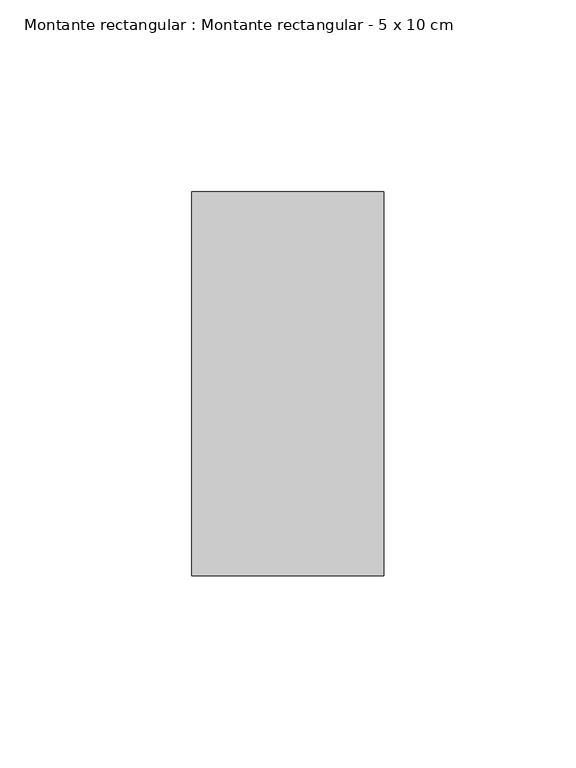
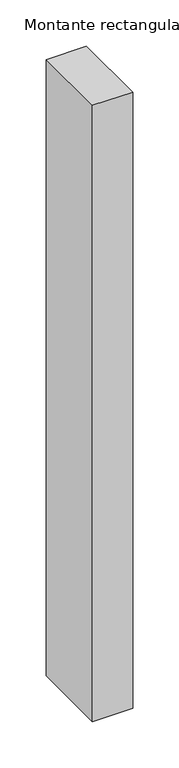
"""IFC4 building model written with IfcOpenShell, lengths in millimetres: member geometry, Montante rectangular : Montante rectangular - 5 x 10 cm."""

import ifcopenshell
import ifcopenshell.guid

model = None  # the IFC model being written
_history = None  # IfcOwnerHistory: only IFC2X3 demands one
_inside = {}  # id of a spatial element -> (the spatial element, [elements in it])
_under = {}  # id of a project, library or spatial element -> (it, [spatial elements below it])
_declared = {}  # id of a project -> (the project, [libraries it declares])
_typed = {}  # id of a type object -> (the type object, [elements of that type])
_made_of = {}  # id of a material, layer set ... -> (it, [elements and type objects made of it])


def new_model(schema):
    """Start an empty IFC model of exactly this schema.

    Asked for "IFC4X3", IfcOpenShell would pick the latest addendum, in which some entities
    have other attributes; the version numbers below select the first issue.
    IFC2X3 requires an IfcOwnerHistory on every rooted entity: one is made here for all.
    """
    global model, _history
    if schema == "IFC4X3":
        model = ifcopenshell.file(schema_version=(4, 3, 0, 0))
    else:
        model = ifcopenshell.file(schema=schema)
    _inside.clear()
    _under.clear()
    _declared.clear()
    _typed.clear()
    _made_of.clear()
    _history = None
    if model.schema == "IFC2X3":
        org = make("IfcOrganization", Name="unknown")
        user = make(
            "IfcPersonAndOrganization",
            ThePerson=make("IfcPerson", FamilyName="unknown"),
            TheOrganization=org,
        )
        app = make(
            "IfcApplication",
            ApplicationDeveloper=org,
            Version="unknown",
            ApplicationFullName="unknown",
            ApplicationIdentifier="unknown",
        )
        _history = make(
            "IfcOwnerHistory",
            OwningUser=user,
            OwningApplication=app,
            ChangeAction="ADDED",
            CreationDate=0,
        )
    return model


def make(cls, **values):
    """One entity of the class cls with the attributes given. An attribute that is None is left unset."""
    return model.create_entity(
        cls, **{name: value for name, value in values.items() if value is not None}
    )


def rooted(cls, **values):
    """An entity with a GlobalId (a new one), such as an element, a storey or a relation."""
    return make(cls, GlobalId=ifcopenshell.guid.new(), OwnerHistory=_history, **values)


def si_unit(unit_type, name, prefix=None):
    """IfcSIUnit, for example si_unit("LENGTHUNIT", "METRE", prefix="MILLI")."""
    return make("IfcSIUnit", UnitType=unit_type, Prefix=prefix, Name=name)


def assignment(units):
    """IfcUnitAssignment: the units of a project."""
    return None if units is None else make("IfcUnitAssignment", Units=units)


def point(xyz):
    """IfcCartesianPoint."""
    return None if xyz is None else make("IfcCartesianPoint", Coordinates=xyz)


def direction(xyz):
    """IfcDirection."""
    return None if xyz is None else make("IfcDirection", DirectionRatios=xyz)


def frame(location, z_axis=None, x_axis=None):
    """IfcAxis2Placement3D, a coordinate frame: its origin and axes. An axis left out is left unset."""
    return make(
        "IfcAxis2Placement3D",
        Location=point(location),
        Axis=direction(z_axis),
        RefDirection=direction(x_axis),
    )


def origin():
    """The frame at (0, 0, 0) with its axes left unset."""
    return frame((0.0, 0.0, 0.0))


def place(relative_to, where):
    """IfcLocalPlacement: puts the frame where relative to a parent placement (None: the world)."""
    return make(
        "IfcLocalPlacement", PlacementRelTo=relative_to, RelativePlacement=where
    )


def context(
    kind, dimensions, precision=None, world=None, true_north=None, identifier=None
):
    """IfcGeometricRepresentationContext, for example the 3D "Model" context."""
    return make(
        "IfcGeometricRepresentationContext",
        ContextIdentifier=identifier,
        ContextType=kind,
        CoordinateSpaceDimension=dimensions,
        Precision=precision,
        WorldCoordinateSystem=world,
        TrueNorth=true_north,
    )


def project(units=None, contexts=None):
    """IfcProject with its units and contexts."""
    return rooted(
        "IfcProject",
        Name="project",
        RepresentationContexts=contexts,
        UnitsInContext=assignment(units),
    )


def spatial(cls, under=None, at=None, **own):
    """A site, building, storey or space (cls), placed at a placement, below another one or the project."""
    s = rooted(cls, ObjectPlacement=at, **own)
    if under is not None:
        _under.setdefault(under.id(), (under, []))[1].append(s)
    return s


def polyline(points):
    """IfcPolyline through the points."""
    return make("IfcPolyline", Points=[point(p) for p in points])


def outline(outer, holes=None, kind="AREA"):
    """IfcArbitraryClosedProfileDef: a profile drawn as a closed curve; with holes, ...WithVoids."""
    if holes is None:
        return make("IfcArbitraryClosedProfileDef", ProfileType=kind, OuterCurve=outer)
    return make(
        "IfcArbitraryProfileDefWithVoids",
        ProfileType=kind,
        OuterCurve=outer,
        InnerCurves=holes,
    )


def extrude(swept, where, along, depth):
    """IfcExtrudedAreaSolid: the profile swept, set in the frame where, extruded along a direction by depth."""
    return make(
        "IfcExtrudedAreaSolid",
        SweptArea=swept,
        Position=where,
        ExtrudedDirection=direction(along),
        Depth=depth,
    )


def shape(context_of_items, identifier, shape_type, items):
    """IfcShapeRepresentation: the items that make up one representation, for example the "Body"."""
    return make(
        "IfcShapeRepresentation",
        ContextOfItems=context_of_items,
        RepresentationIdentifier=identifier,
        RepresentationType=shape_type,
        Items=items,
    )


def source(mapping_origin, context_of_items, identifier, shape_type, items):
    """IfcRepresentationMap: a shape defined once, which mapped items show again and again."""
    return make(
        "IfcRepresentationMap",
        MappingOrigin=mapping_origin,
        MappedRepresentation=shape(context_of_items, identifier, shape_type, items),
    )


def transform(
    local_origin,
    x_axis=None,
    y_axis=None,
    z_axis=None,
    scale=None,
    scale2=None,
    scale3=None,
    uniform=True,
):
    """IfcCartesianTransformationOperator3D, or its non-uniform kind. x_axis, y_axis, z_axis: its Axis1, 2, 3."""
    if uniform:
        return make(
            "IfcCartesianTransformationOperator3D",
            Axis1=direction(x_axis),
            Axis2=direction(y_axis),
            LocalOrigin=point(local_origin),
            Scale=scale,
            Axis3=direction(z_axis),
        )
    return make(
        "IfcCartesianTransformationOperator3DnonUniform",
        Axis1=direction(x_axis),
        Axis2=direction(y_axis),
        LocalOrigin=point(local_origin),
        Scale=scale,
        Axis3=direction(z_axis),
        Scale2=scale2,
        Scale3=scale3,
    )


def mapped(mapping_source, mapping_target):
    """IfcMappedItem: shows the shape of a source again, moved by a transform."""
    return make(
        "IfcMappedItem", MappingSource=mapping_source, MappingTarget=mapping_target
    )


def made_of(thing, what):
    """Note that an element or type object is made of a material, layer set ...; save() writes the relation."""
    if what is not None:
        _made_of.setdefault(what.id(), (what, []))[1].append(thing)
    return thing


def element(
    cls,
    number,
    at=None,
    inside=None,
    cuts=None,
    type_object=None,
    material=None,
    context=None,
    identifier="Body",
    shape_type=None,
    held_by="IfcProductDefinitionShape",
    body=None,
    shapes=None,
    **own,
):
    """One element of the class cls, such as IfcWall. Its Tag is "e" and its number.

    at: its placement. inside: the storey or other place that contains it. cuts: it is an
    opening in that element (IfcRelVoidsElement). A single representation is given by context,
    identifier, shape_type and body (its items); several are given by shapes. held_by: the class
    of the entity that holds the representations. save() writes the other relations.
    """
    e = rooted(cls, Tag="e%d" % number, ObjectPlacement=at, **own)
    if body is not None:
        shapes = [shape(context, identifier, shape_type, body)]
    if shapes is not None:
        e.Representation = make(held_by, Representations=shapes)
    if inside is not None:
        _inside.setdefault(inside.id(), (inside, []))[1].append(e)
    if cuts is not None:
        rooted(
            "IfcRelVoidsElement", RelatingBuildingElement=cuts, RelatedOpeningElement=e
        )
    if type_object is not None:
        _typed.setdefault(type_object.id(), (type_object, []))[1].append(e)
    return made_of(e, material)


def aggregate(whole, parts):
    """IfcRelAggregates: a whole, such as a stair, and the parts it consists of."""
    return rooted("IfcRelAggregates", RelatingObject=whole, RelatedObjects=parts)


def save(model, path):
    """Write the relations noted so far, then the file.

    IfcRelAggregates (storeys below a building ...), IfcRelContainedInSpatialStructure (elements
    in a storey), IfcRelDefinesByType, IfcRelAssociatesMaterial and IfcRelDeclares: one each for
    every whole, place, type object, material and project.
    """
    for whole, parts in _under.values():
        aggregate(whole, parts)
    for where, things in _inside.values():
        rooted(
            "IfcRelContainedInSpatialStructure",
            RelatedElements=things,
            RelatingStructure=where,
        )
    for kind, things in _typed.values():
        rooted("IfcRelDefinesByType", RelatedObjects=things, RelatingType=kind)
    for what, things in _made_of.values():
        rooted("IfcRelAssociatesMaterial", RelatedObjects=things, RelatingMaterial=what)
    for by, libraries in _declared.values():
        rooted("IfcRelDeclares", RelatingContext=by, RelatedDefinitions=libraries)
    model.write(path)


def montante_rectangular_montante_rectangular_5_x_10_cm_e9cd23dc(model_context):
    return source(origin(), model_context, "Body", "SweptSolid", [
        extrude(outline(polyline([(-50.0, -50.0), (-50.0, 50.0), (0.0, 50.0), (0.0, -50.0), (-50.0, -50.0)])), frame((0.0, 0.0, -813.4605771), z_axis=(0.0, 0.0, 1.0), x_axis=(1.0, 0.0, 0.0)), (0.0, 0.0, 1.0), 813.4605771),
    ])


if __name__ == "__main__":
    model = new_model("IFC4")
    model_context = context("Model", 3, world=origin())
    ifc_project = project(units=[si_unit("LENGTHUNIT", "METRE", prefix="MILLI")], contexts=[model_context])
    site = spatial("IfcSite", under=ifc_project)
    building = spatial("IfcBuilding", under=site)
    placement = place(None, origin())
    montante_rectangular_montante_rectangular_5_x_10_cm_shape = montante_rectangular_montante_rectangular_5_x_10_cm_e9cd23dc(model_context)
    element("IfcMember", 1, ObjectType="Montante rectangular : Montante rectangular - 5 x 10 cm", at=placement, inside=building, context=model_context, shape_type="MappedRepresentation", body=[
        mapped(montante_rectangular_montante_rectangular_5_x_10_cm_shape, transform((0.0, 0.0, 0.0), x_axis=(1.0, 0.0, 0.0), y_axis=(0.0, 1.0, 0.0), z_axis=(0.0, 0.0, 1.0))),
    ])
    save(model, "model.ifc")
